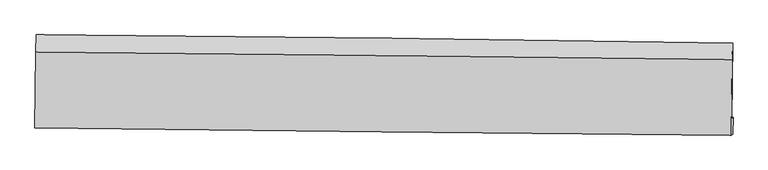
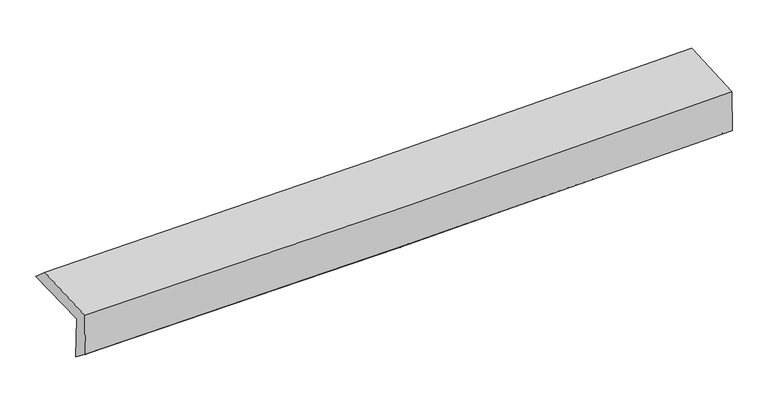
"""IFC4 building model written with IfcOpenShell, lengths in millimetres: proxy geometry."""

from ifc_helpers import new_model, si_unit, frame, origin, place, context, project, spatial, source, transform, mapped, element, save
from ifc_brep_helpers import plane_surface, spline_curve, spline_surface, advanced_brep


def generic_models_ac90c207(model_context):
    return source(origin(), model_context, "Body", "AdvancedBrep", [
        advanced_brep(
        [(-3024.2515426, -1774.6374481, 1957.4621862), (-3018.5315382, -1107.0370646, 1974.380377), (3009.130467, -1179.4285781, 2134.9181202), (3002.6875391, -1838.8612954, 2118.452811), (-3013.6463079, -1743.8196482, 1559.5828509), (3013.1864815, -1821.8081046, 1719.7758095), (-3018.4890487, -1910.0052563, 1687.1710076), (3008.691362, -1971.2473628, 1833.2776788), (-3028.7232252, -1916.6102651, 2079.3569313), (2998.3443831, -1977.9332034, 2230.2563243), (-3023.3889456, -1258.89081, 2107.6309968), (3004.4628827, -1320.249342, 2258.5495193)],
        [
            (0, 1),
            (1, 2, spline_curve(3, [(-3018.5315382, -1107.0370646, 1974.380377), (-2013.47014972, -1112.893614426, 1986.224570799), (-1008.626802405, -1121.854651538, 2005.52512344), (1000.593853291, -1145.985341076, 2059.038149085), (2004.971174252, -1161.154808509, 2093.250177504), (3009.130467, -1179.4285781, 2134.9181202)], [4, 2, 4], [0.0, 9.891882149249833, 19.783469328608017])),
            (2, 3),
            (3, 0, spline_curve(3, [(3002.6875391, -1838.8612954, 2118.452811), (1998.578717516, -1831.740982105, 2076.372718508), (994.286874413, -1822.828944763, 2041.916873536), (-1014.692808734, -1801.421102248, 1988.252876938), (-2019.38065957, -1788.925190682, 1969.045180565), (-3024.2515426, -1774.6374481, 1957.4621862)], [4, 2, 4], [0.0, 9.891587179358185, 19.783469328608017])),
            (4, 0),
            (3, 5),
            (5, 4, spline_curve(3, [(3013.1864815, -1821.8081046, 1719.7758095), (2009.226287874, -1807.543084599, 1674.705813897), (1005.017617387, -1793.911624106, 1638.821464646), (-1003.926630779, -1767.915434093, 1585.423264191), (-2008.662223374, -1755.550742509, 1567.909960266), (-3013.6463079, -1743.8196482, 1559.5828509)], [4, 2, 4], [0.0, 9.891020042075036, 19.782335037129528])),
            (6, 4),
            (5, 7),
            (7, 6, spline_curve(3, [(3008.691362, -1971.2473628, 1833.2776788), (2004.443260624, -1961.678435269, 1798.751845946), (1000.061666195, -1951.790543377, 1769.313479069), (-1008.998462715, -1931.376526852, 1720.61095178), (-2013.677005292, -1920.85038311, 1701.34709496), (-3018.4890487, -1910.0052563, 1687.1710076)], [4, 2, 4], [0.0, 9.89077397512255, 19.78184289588677])),
            (8, 6),
            (7, 9),
            (9, 8, spline_curve(3, [(2998.3443831, -1977.9332034, 2230.2563243), (1994.156675452, -1968.323739572, 2193.324963458), (989.814678419, -1958.40884334, 2162.284433199), (-1019.207848579, -1937.967882287, 2111.98428443), (-2023.888387747, -1927.441799005, 2092.725016769), (-3028.7232252, -1916.6102651, 2079.3569313)], [4, 2, 4], [0.0, 9.890553354195127, 19.781401647452945])),
            (10, 8),
            (9, 11),
            (11, 10, spline_curve(3, [(3004.4628827, -1320.249342, 2258.5495193), (2000.154865595, -1307.302277653, 2221.757754052), (995.687363043, -1295.715590317, 2190.785428983), (-1013.5965701, -1275.262665331, 2140.478907551), (-2018.413010488, -1266.396508395, 2121.145058717), (-3023.3889456, -1258.89081, 2107.6309968)], [4, 2, 4], [0.0, 9.891227858307188, 19.782750675790968])),
            (1, 10),
            (11, 2),
        ],
        [
            spline_surface(3, 3, [[(-3024.2515426, -1774.6374481, 1957.4621862), (-2019.380659421, -1788.925190707, 1969.045180685), (-1014.69280865, -1801.421102389, 1988.252877077), (994.286874329, -1822.828944621, 2041.916873397), (1998.578717469, -1831.740982053, 2076.372718608), (3002.6875391, -1838.8612954, 2118.452811)], [(-3022.344874463, -1552.103986949, 1963.101583113), (-2017.410489509, -1563.581331912, 1974.77164399), (-1012.670806517, -1574.898952105, 1994.01029251), (996.389200599, -1597.214410137, 2047.623965306), (2000.709536351, -1608.212257522, 2081.998538213), (3004.835181736, -1619.050389642, 2123.941247383)], [(-3020.438206337, -1329.570525751, 1968.740980087), (-2015.440319609, -1338.23747307, 1980.498107356), (-1010.648804385, -1348.376801775, 1999.767707955), (998.491526868, -1371.599875606, 2053.331057229), (2002.840355224, -1384.683532966, 2087.624357868), (3006.982824364, -1399.239483858, 2129.429683817)], [(-3018.5315382, -1107.0370646, 1974.380377), (-2013.470149697, -1112.893614275, 1986.22457066), (-1008.626802252, -1121.854651491, 2005.525123388), (1000.593853138, -1145.985341122, 2059.038149138), (2004.971174106, -1161.154808435, 2093.250177473), (3009.130467, -1179.4285781, 2134.9181202)]], [4, 4], [4, 2, 4], [0.0, 2.2258899679683872], [0.0, 9.891882149249833, 19.783469328608017]),
            spline_surface(3, 3, [[(-3013.6463079, -1743.8196482, 1559.5828509), (-2008.662223451, -1755.550742567, 1567.909960187), (-1003.926630858, -1767.915434142, 1585.423264059), (1005.017617465, -1793.911624057, 1638.821464778), (2009.226287987, -1807.543084625, 1674.705813758), (3013.1864815, -1821.8081046, 1719.7758095)], [(-3017.18138611, -1754.09224817, 1692.209296005), (-2012.235035418, -1766.675558617, 1701.621700358), (-1007.51535677, -1779.083990224, 1719.699801727), (1001.440703105, -1803.550730911, 1773.18660098), (2005.677097823, -1815.609050436, 1808.594782037), (3009.686834042, -1827.492501535, 1852.668143329)], [(-3020.71646439, -1764.36484813, 1824.835741095), (-2015.807847455, -1777.800374658, 1835.333440514), (-1011.104082737, -1790.252546307, 1853.97633941), (997.86378869, -1813.189837767, 1907.551737196), (2002.127907633, -1823.675016243, 1942.483750329), (3006.187186558, -1833.176898465, 1985.560477171)], [(-3024.2515426, -1774.6374481, 1957.4621862), (-2019.380659421, -1788.925190707, 1969.045180685), (-1014.69280865, -1801.421102389, 1988.252877077), (994.286874329, -1822.828944621, 2041.916873397), (1998.578717469, -1831.740982053, 2076.372718608), (3002.6875391, -1838.8612954, 2118.452811)]], [4, 4], [4, 2, 4], [0.0, 1.3264840742203035], [0.0, 9.891314995054492, 19.782335037129528]),
            spline_surface(3, 3, [[(-3018.4890487, -1910.0052563, 1687.1710076), (-2013.677005351, -1920.850383203, 1701.347094898), (-1008.998462732, -1931.376526865, 1720.610951843), (1000.061666212, -1951.790543364, 1769.313479006), (2004.443260481, -1961.678435157, 1798.751845783), (3008.691362, -1971.2473628, 1833.2776788)], [(-3016.874801778, -1854.610053602, 1644.641622038), (-2012.005411396, -1865.750502993, 1656.868049999), (-1007.307852123, -1876.889495953, 1675.54838924), (1001.713649948, -1899.164236924, 1725.816140922), (2006.037602975, -1910.299984954, 1757.403168448), (3010.189735159, -1921.434276707, 1795.443722373)], [(-3015.260554822, -1799.214850898, 1602.112236462), (-2010.333817407, -1810.650622777, 1612.389005086), (-1005.617241467, -1822.402465054, 1630.485826662), (1003.36563373, -1846.537930497, 1682.318802863), (2007.631945493, -1858.921534828, 1716.054491093), (3011.688108341, -1871.621190693, 1757.609765927)], [(-3013.6463079, -1743.8196482, 1559.5828509), (-2008.662223451, -1755.550742567, 1567.909960187), (-1003.926630858, -1767.915434142, 1585.423264059), (1005.017617465, -1793.911624057, 1638.821464778), (2009.226287987, -1807.543084625, 1674.705813758), (3013.1864815, -1821.8081046, 1719.7758095)]], [4, 4], [4, 2, 4], [0.0, 0.6841669197609942], [0.0, 9.89106892076422, 19.78184289588677]),
            spline_surface(3, 3, [[(-3028.7232252, -1916.6102651, 2079.3569313), (-2023.888387644, -1927.441798853, 2092.725016793), (-1019.207848521, -1937.9678822, 2111.984284307), (989.814678361, -1958.408843427, 2162.284433322), (1994.15667537, -1968.323739493, 2193.324963452), (2998.3443831, -1977.9332034, 2230.2563243)], [(-3025.311833041, -1914.408595494, 1948.628290071), (-2020.484593554, -1925.244660297, 1962.265709499), (-1015.804719914, -1935.770763741, 1981.526506841), (993.230340989, -1956.202743392, 2031.294115239), (1997.585537088, -1966.108638054, 2061.800590895), (3001.793376081, -1975.704589873, 2097.930109132)], [(-3021.900440859, -1912.206925906, 1817.899648829), (-2017.080799441, -1923.047521759, 1831.806402192), (-1012.40159134, -1933.573645323, 1851.068729309), (996.646003584, -1953.996643399, 1900.303797089), (2001.014398763, -1963.893536596, 1930.27621834), (3005.242369019, -1973.475976327, 1965.603893968)], [(-3018.4890487, -1910.0052563, 1687.1710076), (-2013.677005351, -1920.850383203, 1701.347094898), (-1008.998462732, -1931.376526865, 1720.610951843), (1000.061666212, -1951.790543364, 1769.313479006), (2004.443260481, -1961.678435157, 1798.751845783), (3008.691362, -1971.2473628, 1833.2776788)]], [4, 4], [4, 2, 4], [0.0, 1.2872738584077883], [0.0, 9.890848293257818, 19.781401647452945]),
            spline_surface(3, 3, [[(-3023.3889456, -1258.89081, 2107.6309968), (-2018.413010522, -1266.396508518, 2121.145058803), (-1013.596570161, -1275.262665262, 2140.478907636), (995.687363104, -1295.715590386, 2190.785428898), (2000.154865489, -1307.302277664, 2221.757754201), (3004.4628827, -1320.249342, 2258.5495193)], [(-3025.167038784, -1478.130628365, 2098.206308297), (-2020.238136213, -1486.744938628, 2111.671711464), (-1015.466996295, -1496.164404239, 2130.98069985), (993.729801508, -1516.613341397, 2181.285097029), (1998.155468774, -1527.64276496, 2212.280157278), (3002.423382824, -1539.47729582, 2249.118454293)], [(-3026.945132016, -1697.370446735, 2088.781619803), (-2022.063261953, -1707.093368743, 2102.198364132), (-1017.337422386, -1717.066143223, 2121.482492093), (991.772239957, -1737.511092416, 2171.784765191), (1996.156072086, -1747.983252197, 2202.802560375), (3000.383882976, -1758.70524958, 2239.687389307)], [(-3028.7232252, -1916.6102651, 2079.3569313), (-2023.888387644, -1927.441798853, 2092.725016793), (-1019.207848521, -1937.9678822, 2111.984284307), (989.814678361, -1958.408843427, 2162.284433322), (1994.15667537, -1968.323739493, 2193.324963452), (2998.3443831, -1977.9332034, 2230.2563243)]], [4, 4], [4, 2, 4], [0.0, 2.1763010001489196], [0.0, 9.89152281748378, 19.782750675790968]),
            spline_surface(3, 3, [[(-3018.5315382, -1107.0370646, 1974.380377), (-2013.470149697, -1112.893614275, 1986.22457066), (-1008.626802252, -1121.854651491, 2005.525123388), (1000.593853138, -1145.985341122, 2059.038149138), (2004.971174106, -1161.154808435, 2093.250177473), (3009.130467, -1179.4285781, 2134.9181202)], [(-3020.150674025, -1157.65497972, 2018.797250275), (-2015.117769998, -1164.061245676, 2031.198066717), (-1010.283391555, -1172.990656088, 2050.509718143), (998.95835646, -1195.895424216, 2102.953909064), (2003.365737891, -1209.870631501, 2136.086036405), (3007.574605558, -1226.368832724, 2176.128586589)], [(-3021.769809775, -1208.27289488, 2063.214123525), (-2016.765390222, -1215.228877117, 2076.171562747), (-1011.939980858, -1224.126660666, 2095.494312881), (997.322859781, -1245.805507292, 2146.869668972), (2001.760301704, -1258.586454597, 2178.92189527), (3006.018744142, -1273.309087376, 2217.339052911)], [(-3023.3889456, -1258.89081, 2107.6309968), (-2018.413010522, -1266.396508518, 2121.145058803), (-1013.596570161, -1275.262665262, 2140.478907636), (995.687363104, -1295.715590386, 2190.785428898), (2000.154865489, -1307.302277664, 2221.757754201), (3004.4628827, -1320.249342, 2258.5495193)]], [4, 4], [4, 2, 4], [0.0, 0.6625345705431339], [0.0, 9.89234713626952, 19.78439928878176]),
            plane_surface(frame((3006.0838526, -1684.9213144, 2049.2050439), z_axis=(0.9996108549978422, -0.010412773096550363, 0.025878808452531245), x_axis=(0.026051780386696807, 0.016833710736821987, -0.9995188497079543))),
            plane_surface(frame((-3021.171768, -1618.500082, 1894.2640583), z_axis=(-0.999621223772108, 0.009221874362476729, -0.025930021550236777), x_axis=(-0.008564942418465319, -0.9996423833217469, -0.02533273037368587))),
        ],
        [
            (0, [[1, 2, 3, 4]]),
            (1, [[5, -4, 6, 7]]),
            (2, [[8, -7, 9, 10]]),
            (3, [[11, -10, 12, 13]]),
            (4, [[14, -13, 15, 16]]),
            (5, [[17, -16, 18, -2]]),
            (6, [[-12, -9, -6, -3, -18, -15]]),
            (7, [[-1, -5, -8, -11, -14, -17]]),
        ],
    ),
    ])


if __name__ == "__main__":
    model = new_model("IFC4")
    model_context = context("Model", 3, world=origin())
    ifc_project = project(units=[si_unit("LENGTHUNIT", "METRE", prefix="MILLI")], contexts=[model_context])
    site = spatial("IfcSite", under=ifc_project)
    building = spatial("IfcBuilding", under=site)
    placement = place(None, origin())
    generic_models_shape = generic_models_ac90c207(model_context)
    element("IfcBuildingElementProxy", 1, Name="Generic Models", at=placement, inside=building, context=model_context, shape_type="MappedRepresentation", body=[
        mapped(generic_models_shape, transform((0.0, 0.0, 0.0), x_axis=(1.0, 0.0, 0.0), y_axis=(0.0, 1.0, 0.0), z_axis=(0.0, 0.0, 1.0))),
    ])
    save(model, "model.ifc")
